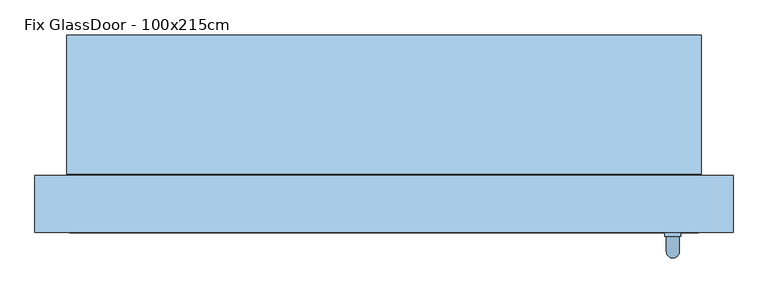
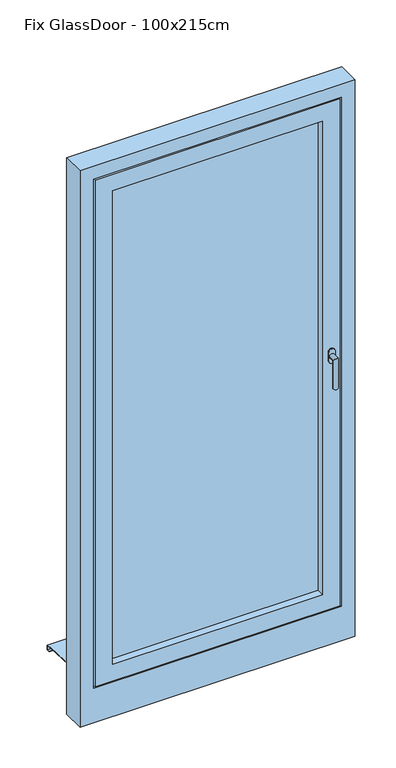
"""IFC4 building model written with IfcOpenShell, lengths in millimetres: window geometry, Fix GlassDoor - 100x215cm."""

from ifc_helpers import new_model, si_unit, frame, origin, place, context, project, spatial, polyline, circle_curve, ellipse_curve, outline, extrude, faceted_brep, source, transform, mapped, element, save
from ifc_brep_helpers import plane_surface, cylinder_surface, advanced_brep


def fix_glassdoor_100x215cm_159444da(model_context):
    return source(origin(), model_context, "Body", "SolidModel", [
        advanced_brep(
        [(442.5, 35.0, 1087.5), (467.5, 35.0, 1087.5), (467.5, 35.0, 1070.0), (467.5, 35.0, 1052.5), (442.5, 35.0, 1052.5), (442.5, 35.0, 1070.0), (465.0, 5.0, 1070.0), (465.0, 29.0, 1070.0), (445.0, 29.0, 1070.0), (445.0, 5.0, 1070.0), (465.0, 5.0, 950.0), (445.0, 5.0, 950.0), (442.5, 29.0, 1087.5), (442.5, 29.0, 1070.0), (442.5, 29.0, 1052.5), (467.5, 29.0, 1052.5), (467.5, 29.0, 1070.0), (467.5, 29.0, 1087.5)],
        [
            (0, 1, circle_curve(frame((455.0, 35.0, 1087.5), z_axis=(0.0, 1.0, 0.0), x_axis=(-1.0, 0.0, 0.0)), 12.5)),
            (1, 2),
            (2, 3),
            (3, 4, circle_curve(frame((455.0, 35.0, 1052.5), z_axis=(0.0, 1.0, 0.0), x_axis=(-1.0, 0.0, 0.0)), 12.5)),
            (4, 5),
            (5, 0),
            (6, 7),
            (7, 8, circle_curve(frame((455.0, 29.0, 1070.0), z_axis=(0.0, -1.0, 0.0), x_axis=(-1.0, 0.0, 0.0)), 10.0)),
            (8, 9),
            (9, 6, ellipse_curve(frame((455.0, 5.0, 1070.0), z_axis=(0.0, 0.7071067811865498, 0.7071067811865451), x_axis=(0.0, 0.7071067811865452, -0.7071067811865497)), 14.1421356, 10.0)),
            (8, 7, circle_curve(frame((455.0, 29.0, 1070.0), z_axis=(0.0, -1.0, 0.0), x_axis=(-1.0, 0.0, 0.0)), 10.0)),
            (6, 9, ellipse_curve(frame((455.0, 5.0, 1070.0), z_axis=(0.0, 0.7071067811865498, 0.7071067811865451), x_axis=(0.0, 0.7071067811865452, -0.7071067811865497)), 14.1421356, 10.0)),
            (10, 11, circle_curve(frame((455.0, 5.0, 950.0), z_axis=(0.0, 0.0, -1.0), x_axis=(-1.0, 0.0, 0.0)), 10.0)),
            (11, 10, circle_curve(frame((455.0, 5.0, 950.0), z_axis=(0.0, 0.0, -1.0), x_axis=(-1.0, 0.0, 0.0)), 10.0)),
            (9, 11),
            (10, 6),
            (12, 13),
            (13, 14),
            (14, 15, circle_curve(frame((455.0, 29.0, 1052.5), z_axis=(0.0, -1.0, 0.0), x_axis=(-1.0, 0.0, 0.0)), 12.5)),
            (15, 16),
            (16, 17),
            (17, 12, circle_curve(frame((455.0, 29.0, 1087.5), z_axis=(0.0, -1.0, 0.0), x_axis=(-1.0, 0.0, 0.0)), 12.5)),
            (17, 1),
            (0, 12),
            (16, 2),
            (15, 3),
            (14, 4),
            (13, 5),
        ],
        [
            plane_surface(frame((455.0, 35.0, 1070.0), z_axis=(0.0, 1.0, 0.0), x_axis=(-1.0, 0.0, 0.0))),
            cylinder_surface(frame((455.0, 35.0, 1070.0), z_axis=(0.0, 1.0, 0.0), x_axis=(-1.0, 0.0, 0.0)), 10.0),
            plane_surface(frame((455.0, 5.0, 950.0), z_axis=(0.0, 0.0, -1.0), x_axis=(-1.0, 0.0, 0.0))),
            cylinder_surface(frame((455.0, 5.0, 1070.0), z_axis=(0.0, 0.0, 1.0), x_axis=(-1.0, 0.0, 0.0)), 10.0),
            plane_surface(frame((442.5, 29.0, 1087.5), z_axis=(0.0, -1.0, 0.0), x_axis=(0.0, 0.0, 1.0))),
            cylinder_surface(frame((455.0, 35.0, 1087.5), z_axis=(0.0, -1.0, 0.0), x_axis=(-1.0, 0.0, 0.0)), 12.5),
            plane_surface(frame((467.5, 29.0, 1087.5), z_axis=(1.0, 0.0, 0.0), x_axis=(0.0, 1.0, 0.0))),
            plane_surface(frame((467.5, 29.0, 1070.0), z_axis=(1.0, 0.0, 0.0), x_axis=(0.0, 1.0, 0.0))),
            cylinder_surface(frame((455.0, 35.0, 1052.5), z_axis=(0.0, -1.0, 0.0), x_axis=(-1.0, 0.0, 0.0)), 12.5),
            plane_surface(frame((442.5, 29.0, 1052.5), z_axis=(-1.0, 0.0, 0.0), x_axis=(0.0, 1.0, 0.0))),
            plane_surface(frame((442.5, 29.0, 1070.0), z_axis=(-1.0, 0.0, 0.0), x_axis=(0.0, 1.0, 0.0))),
        ],
        [
            (0, [[1, 2, 3, 4, 5, 6]]),
            (1, [[7, 8, 9, 10]]),
            (1, [[-9, 11, -7, 12]]),
            (2, [[13, 14]]),
            (3, [[15, -13, 16, -10]]),
            (3, [[-16, -14, -15, -12]]),
            (4, [[17, 18, 19, 20, 21, 22], [-11, -8]]),
            (5, [[23, -1, 24, -22]]),
            (6, [[25, -2, -23, -21]]),
            (7, [[26, -3, -25, -20]]),
            (8, [[27, -4, -26, -19]]),
            (9, [[28, -5, -27, -18]]),
            (10, [[-24, -6, -28, -17]]),
        ],
    ),
        faceted_brep([(-420.0, 35.0, 2070.0), (-420.0, 35.0, 70.0), (-420.0, 125.0, 70.0), (-420.0, 125.0, 2070.0), (-450.0, 125.0, 40.0), (-450.0, 125.0, 2100.0), (450.0, 125.0, 2100.0), (450.0, 125.0, 40.0), (420.0, 125.0, 70.0), (420.0, 125.0, 2070.0), (420.0, 35.0, 70.0), (-490.0, 35.0, 2140.0), (-490.0, 35.0, 0.0), (490.0, 35.0, 0.0), (490.0, 35.0, 2140.0), (420.0, 35.0, 2070.0), (-490.0, 50.0, 2140.0), (-490.0, 50.0, 0.0), (490.0, 50.0, 0.0), (490.0, 50.0, 2140.0), (-475.0, 50.0, 2125.0), (-475.0, 50.0, 15.0), (475.0, 50.0, 15.0), (475.0, 50.0, 2125.0), (-475.0, 80.0, 2125.0), (-475.0, 80.0, 15.0), (475.0, 80.0, 15.0), (475.0, 80.0, 2125.0), (-465.0, 80.0, 2115.0), (-465.0, 80.0, 25.0), (465.0, 80.0, 25.0), (465.0, 80.0, 2115.0), (-465.0, 110.0, 2115.0), (-465.0, 110.0, 25.0), (465.0, 110.0, 25.0), (465.0, 110.0, 2115.0), (-450.0, 110.0, 2100.0), (-450.0, 110.0, 40.0), (450.0, 110.0, 40.0), (450.0, 110.0, 2100.0)], [[[0, 1, 2, 3]], [[4, 5, 6, 7], [3, 2, 8, 9]], [[1, 10, 8, 2]], [[11, 12, 13, 14], [1, 0, 15, 10]], [[16, 17, 12, 11]], [[17, 18, 13, 12]], [[17, 16, 19, 18], [20, 21, 22, 23]], [[24, 25, 21, 20]], [[25, 26, 22, 21]], [[25, 24, 27, 26], [28, 29, 30, 31]], [[32, 33, 29, 28]], [[33, 34, 30, 29]], [[33, 32, 35, 34], [36, 37, 38, 39]], [[5, 4, 37, 36]], [[4, 7, 38, 37]], [[10, 15, 9, 8]], [[18, 19, 14, 13]], [[26, 27, 23, 22]], [[34, 35, 31, 30]], [[7, 6, 39, 38]], [[15, 0, 3, 9]], [[19, 16, 11, 14]], [[27, 24, 20, 23]], [[35, 32, 28, 31]], [[6, 5, 36, 39]]]),
        extrude(outline(polyline([(-420.0, 110.0), (420.0, 110.0), (420.0, 66.0), (-420.0, 66.0), (-420.0, 110.0)])), frame((0.0, 0.0, 70.0), z_axis=(0.0, 0.0, 1.0), x_axis=(1.0, 0.0, 0.0)), (0.0, 0.0, 1.0), 2000.0),
        faceted_brep([(-500.0, 347.0, -9.0998752), (-500.0, 325.0, -7.9998752), (-500.0, 127.0, 1.9001248), (500.0, 127.0, 1.9001248), (500.0, 325.0, -7.9998752), (500.0, 347.0, -9.0998752), (-500.0, 347.0, -29.0998752), (500.0, 347.0, -29.0998752), (-500.0, 335.0, -29.0998752), (500.0, 335.0, -29.0998752), (-500.0, 335.0, -27.0998752), (500.0, 335.0, -27.0998752), (-500.0, 345.0, -27.0998752), (500.0, 345.0, -27.0998752), (-500.0, 345.0, -11.0), (500.0, 345.0, -11.0), (-500.0, 325.0, -10.0), (500.0, 325.0, -10.0), (500.0, 125.0, 0.0), (-500.0, 125.0, 0.0), (-500.0, 125.0, 20.0), (500.0, 125.0, 20.0), (-500.0, 127.0, 20.0), (500.0, 127.0, 20.0)], [[[0, 1, 2, 3, 4, 5]], [[6, 0, 5, 7]], [[8, 6, 7, 9]], [[10, 8, 9, 11]], [[12, 10, 11, 13]], [[14, 12, 13, 15]], [[16, 14, 15, 17, 18, 19]], [[20, 19, 18, 21]], [[22, 20, 21, 23]], [[2, 22, 23, 3]], [[16, 1, 0, 6, 8, 10, 12, 14]], [[17, 4, 3, 23, 21, 18]], [[1, 16, 19, 20, 22, 2]], [[4, 17, 15, 13, 11, 9, 7, 5]]]),
        faceted_brep([(550.0, 125.0, -150.0), (550.0, 35.0, -150.0), (-550.0, 35.0, -150.0), (-550.0, 125.0, -150.0), (550.0, 125.0, 2200.0), (550.0, 35.0, 2200.0), (-550.0, 35.0, 2200.0), (495.0, 35.0, 2145.0), (495.0, 35.0, -5.0), (-495.0, 35.0, -5.0), (-495.0, 35.0, 2145.0), (-550.0, 125.0, 2200.0), (455.0, 125.0, 35.0), (455.0, 125.0, 2105.0), (-455.0, 125.0, 2105.0), (-455.0, 125.0, 35.0), (455.0, 110.0, 35.0), (455.0, 110.0, 2105.0), (-455.0, 110.0, 35.0), (-455.0, 110.0, 2105.0), (495.0, 50.0, 2145.0), (495.0, 50.0, -5.0), (-495.0, 50.0, -5.0), (-495.0, 50.0, 2145.0), (480.0, 50.0, 2130.0), (480.0, 50.0, 10.0), (-480.0, 50.0, 10.0), (-480.0, 50.0, 2130.0), (480.0, 80.0, 10.0), (480.0, 80.0, 2130.0), (-480.0, 80.0, 2130.0), (-480.0, 80.0, 10.0), (470.0, 80.0, 2120.0), (470.0, 80.0, 20.0), (-470.0, 80.0, 20.0), (-470.0, 80.0, 2120.0), (470.0, 110.0, 20.0), (470.0, 110.0, 2120.0), (-470.0, 110.0, 2120.0), (-470.0, 110.0, 20.0)], [[[0, 1, 2, 3]], [[4, 5, 1, 0]], [[5, 6, 2, 1], [7, 8, 9, 10]], [[6, 11, 3, 2]], [[11, 4, 0, 3], [12, 13, 14, 15]], [[12, 16, 17, 13]], [[18, 15, 14, 19]], [[16, 12, 15, 18]], [[20, 21, 8, 7]], [[8, 21, 22, 9]], [[9, 22, 23, 10]], [[21, 20, 23, 22], [24, 25, 26, 27]], [[28, 29, 30, 31], [32, 33, 34, 35]], [[29, 28, 25, 24]], [[25, 28, 31, 26]], [[36, 37, 38, 39], [17, 16, 18, 19]], [[37, 36, 33, 32]], [[33, 36, 39, 34]], [[26, 31, 30, 27]], [[34, 39, 38, 35]], [[4, 11, 6, 5]], [[20, 7, 10, 23]], [[29, 24, 27, 30]], [[37, 32, 35, 38]], [[13, 17, 19, 14]]]),
    ])


if __name__ == "__main__":
    model = new_model("IFC4")
    model_context = context("Model", 3, world=origin())
    ifc_project = project(units=[si_unit("LENGTHUNIT", "METRE", prefix="MILLI")], contexts=[model_context])
    site = spatial("IfcSite", under=ifc_project)
    building = spatial("IfcBuilding", under=site)
    placement = place(None, origin())
    fix_glassdoor_100x215cm_shape = fix_glassdoor_100x215cm_159444da(model_context)
    element("IfcWindow", 1, ObjectType="Fix GlassDoor - 100x215cm", at=placement, inside=building, context=model_context, shape_type="MappedRepresentation", body=[
        mapped(fix_glassdoor_100x215cm_shape, transform((0.0, 0.0, 0.0), x_axis=(1.0, 0.0, 0.0), y_axis=(0.0, 1.0, 0.0), z_axis=(0.0, 0.0, 1.0))),
    ])
    save(model, "model.ifc")
